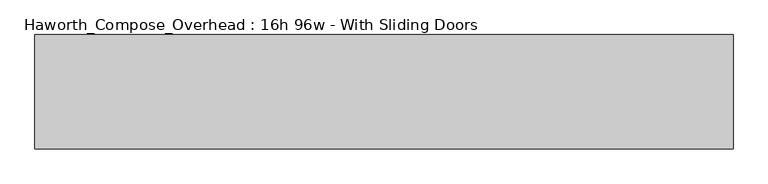
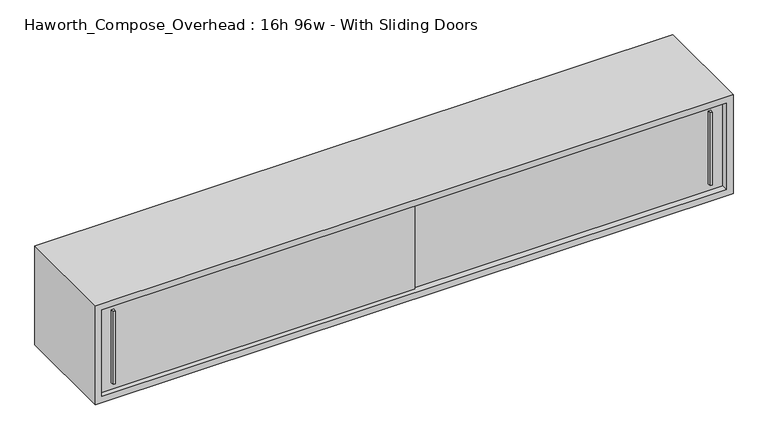
"""IFC4 building model written with IfcOpenShell, lengths in millimetres: furniture geometry, Haworth_Compose_Overhead : 16h 96w - With Sliding Doors."""

import ifcopenshell
import ifcopenshell.guid

model = None  # the IFC model being written
_history = None  # IfcOwnerHistory: only IFC2X3 demands one
_inside = {}  # id of a spatial element -> (the spatial element, [elements in it])
_under = {}  # id of a project, library or spatial element -> (it, [spatial elements below it])
_declared = {}  # id of a project -> (the project, [libraries it declares])
_typed = {}  # id of a type object -> (the type object, [elements of that type])
_made_of = {}  # id of a material, layer set ... -> (it, [elements and type objects made of it])


def new_model(schema):
    """Start an empty IFC model of exactly this schema.

    Asked for "IFC4X3", IfcOpenShell would pick the latest addendum, in which some entities
    have other attributes; the version numbers below select the first issue.
    IFC2X3 requires an IfcOwnerHistory on every rooted entity: one is made here for all.
    """
    global model, _history
    if schema == "IFC4X3":
        model = ifcopenshell.file(schema_version=(4, 3, 0, 0))
    else:
        model = ifcopenshell.file(schema=schema)
    _inside.clear()
    _under.clear()
    _declared.clear()
    _typed.clear()
    _made_of.clear()
    _history = None
    if model.schema == "IFC2X3":
        org = make("IfcOrganization", Name="unknown")
        user = make(
            "IfcPersonAndOrganization",
            ThePerson=make("IfcPerson", FamilyName="unknown"),
            TheOrganization=org,
        )
        app = make(
            "IfcApplication",
            ApplicationDeveloper=org,
            Version="unknown",
            ApplicationFullName="unknown",
            ApplicationIdentifier="unknown",
        )
        _history = make(
            "IfcOwnerHistory",
            OwningUser=user,
            OwningApplication=app,
            ChangeAction="ADDED",
            CreationDate=0,
        )
    return model


def make(cls, **values):
    """One entity of the class cls with the attributes given. An attribute that is None is left unset."""
    return model.create_entity(
        cls, **{name: value for name, value in values.items() if value is not None}
    )


def rooted(cls, **values):
    """An entity with a GlobalId (a new one), such as an element, a storey or a relation."""
    return make(cls, GlobalId=ifcopenshell.guid.new(), OwnerHistory=_history, **values)


def si_unit(unit_type, name, prefix=None):
    """IfcSIUnit, for example si_unit("LENGTHUNIT", "METRE", prefix="MILLI")."""
    return make("IfcSIUnit", UnitType=unit_type, Prefix=prefix, Name=name)


def assignment(units):
    """IfcUnitAssignment: the units of a project."""
    return None if units is None else make("IfcUnitAssignment", Units=units)


def point(xyz):
    """IfcCartesianPoint."""
    return None if xyz is None else make("IfcCartesianPoint", Coordinates=xyz)


def direction(xyz):
    """IfcDirection."""
    return None if xyz is None else make("IfcDirection", DirectionRatios=xyz)


def frame(location, z_axis=None, x_axis=None):
    """IfcAxis2Placement3D, a coordinate frame: its origin and axes. An axis left out is left unset."""
    return make(
        "IfcAxis2Placement3D",
        Location=point(location),
        Axis=direction(z_axis),
        RefDirection=direction(x_axis),
    )


def origin():
    """The frame at (0, 0, 0) with its axes left unset."""
    return frame((0.0, 0.0, 0.0))


def place(relative_to, where):
    """IfcLocalPlacement: puts the frame where relative to a parent placement (None: the world)."""
    return make(
        "IfcLocalPlacement", PlacementRelTo=relative_to, RelativePlacement=where
    )


def context(
    kind, dimensions, precision=None, world=None, true_north=None, identifier=None
):
    """IfcGeometricRepresentationContext, for example the 3D "Model" context."""
    return make(
        "IfcGeometricRepresentationContext",
        ContextIdentifier=identifier,
        ContextType=kind,
        CoordinateSpaceDimension=dimensions,
        Precision=precision,
        WorldCoordinateSystem=world,
        TrueNorth=true_north,
    )


def project(units=None, contexts=None):
    """IfcProject with its units and contexts."""
    return rooted(
        "IfcProject",
        Name="project",
        RepresentationContexts=contexts,
        UnitsInContext=assignment(units),
    )


def spatial(cls, under=None, at=None, **own):
    """A site, building, storey or space (cls), placed at a placement, below another one or the project."""
    s = rooted(cls, ObjectPlacement=at, **own)
    if under is not None:
        _under.setdefault(under.id(), (under, []))[1].append(s)
    return s


def polyline(points):
    """IfcPolyline through the points."""
    return make("IfcPolyline", Points=[point(p) for p in points])


def outline(outer, holes=None, kind="AREA"):
    """IfcArbitraryClosedProfileDef: a profile drawn as a closed curve; with holes, ...WithVoids."""
    if holes is None:
        return make("IfcArbitraryClosedProfileDef", ProfileType=kind, OuterCurve=outer)
    return make(
        "IfcArbitraryProfileDefWithVoids",
        ProfileType=kind,
        OuterCurve=outer,
        InnerCurves=holes,
    )


def extrude(swept, where, along, depth):
    """IfcExtrudedAreaSolid: the profile swept, set in the frame where, extruded along a direction by depth."""
    return make(
        "IfcExtrudedAreaSolid",
        SweptArea=swept,
        Position=where,
        ExtrudedDirection=direction(along),
        Depth=depth,
    )


def shape(context_of_items, identifier, shape_type, items):
    """IfcShapeRepresentation: the items that make up one representation, for example the "Body"."""
    return make(
        "IfcShapeRepresentation",
        ContextOfItems=context_of_items,
        RepresentationIdentifier=identifier,
        RepresentationType=shape_type,
        Items=items,
    )


def source(mapping_origin, context_of_items, identifier, shape_type, items):
    """IfcRepresentationMap: a shape defined once, which mapped items show again and again."""
    return make(
        "IfcRepresentationMap",
        MappingOrigin=mapping_origin,
        MappedRepresentation=shape(context_of_items, identifier, shape_type, items),
    )


def transform(
    local_origin,
    x_axis=None,
    y_axis=None,
    z_axis=None,
    scale=None,
    scale2=None,
    scale3=None,
    uniform=True,
):
    """IfcCartesianTransformationOperator3D, or its non-uniform kind. x_axis, y_axis, z_axis: its Axis1, 2, 3."""
    if uniform:
        return make(
            "IfcCartesianTransformationOperator3D",
            Axis1=direction(x_axis),
            Axis2=direction(y_axis),
            LocalOrigin=point(local_origin),
            Scale=scale,
            Axis3=direction(z_axis),
        )
    return make(
        "IfcCartesianTransformationOperator3DnonUniform",
        Axis1=direction(x_axis),
        Axis2=direction(y_axis),
        LocalOrigin=point(local_origin),
        Scale=scale,
        Axis3=direction(z_axis),
        Scale2=scale2,
        Scale3=scale3,
    )


def mapped(mapping_source, mapping_target):
    """IfcMappedItem: shows the shape of a source again, moved by a transform."""
    return make(
        "IfcMappedItem", MappingSource=mapping_source, MappingTarget=mapping_target
    )


def made_of(thing, what):
    """Note that an element or type object is made of a material, layer set ...; save() writes the relation."""
    if what is not None:
        _made_of.setdefault(what.id(), (what, []))[1].append(thing)
    return thing


def element(
    cls,
    number,
    at=None,
    inside=None,
    cuts=None,
    type_object=None,
    material=None,
    context=None,
    identifier="Body",
    shape_type=None,
    held_by="IfcProductDefinitionShape",
    body=None,
    shapes=None,
    **own,
):
    """One element of the class cls, such as IfcWall. Its Tag is "e" and its number.

    at: its placement. inside: the storey or other place that contains it. cuts: it is an
    opening in that element (IfcRelVoidsElement). A single representation is given by context,
    identifier, shape_type and body (its items); several are given by shapes. held_by: the class
    of the entity that holds the representations. save() writes the other relations.
    """
    e = rooted(cls, Tag="e%d" % number, ObjectPlacement=at, **own)
    if body is not None:
        shapes = [shape(context, identifier, shape_type, body)]
    if shapes is not None:
        e.Representation = make(held_by, Representations=shapes)
    if inside is not None:
        _inside.setdefault(inside.id(), (inside, []))[1].append(e)
    if cuts is not None:
        rooted(
            "IfcRelVoidsElement", RelatingBuildingElement=cuts, RelatedOpeningElement=e
        )
    if type_object is not None:
        _typed.setdefault(type_object.id(), (type_object, []))[1].append(e)
    return made_of(e, material)


def aggregate(whole, parts):
    """IfcRelAggregates: a whole, such as a stair, and the parts it consists of."""
    return rooted("IfcRelAggregates", RelatingObject=whole, RelatedObjects=parts)


def save(model, path):
    """Write the relations noted so far, then the file.

    IfcRelAggregates (storeys below a building ...), IfcRelContainedInSpatialStructure (elements
    in a storey), IfcRelDefinesByType, IfcRelAssociatesMaterial and IfcRelDeclares: one each for
    every whole, place, type object, material and project.
    """
    for whole, parts in _under.values():
        aggregate(whole, parts)
    for where, things in _inside.values():
        rooted(
            "IfcRelContainedInSpatialStructure",
            RelatedElements=things,
            RelatingStructure=where,
        )
    for kind, things in _typed.values():
        rooted("IfcRelDefinesByType", RelatedObjects=things, RelatingType=kind)
    for what, things in _made_of.values():
        rooted("IfcRelAssociatesMaterial", RelatedObjects=things, RelatingMaterial=what)
    for by, libraries in _declared.values():
        rooted("IfcRelDeclares", RelatingContext=by, RelatedDefinitions=libraries)
    model.write(path)


def haworth_compose_overhead_16h_96w_with_sliding_doors_df826c5d(model_context):
    return source(origin(), model_context, "Body", "SweptSolid", [
        extrude(outline(polyline([(1311.2750004, -387.3499879), (1304.9249996, -387.3499879), (1303.3375011, -374.65), (1312.8624989, -374.65), (1311.2750004, -387.3499879)])), frame((0.0, 0.0, 1322.3875), z_axis=(0.0, 0.0, 1.0), x_axis=(1.0, 0.0, 0.0)), (0.0, 0.0, 1.0), 295.275),
        extrude(outline(polyline([(-974.7249996, -393.6999879), (-981.0750004, -393.6999879), (-982.6624989, -381.0), (-973.1375011, -381.0), (-974.7249996, -393.6999879)])), frame((0.0, 0.0, 1322.3875), z_axis=(0.0, 0.0, 1.0), x_axis=(1.0, 0.0, 0.0)), (0.0, 0.0, 1.0), 295.275),
        extrude(outline(polyline([(-1028.7, -374.65), (177.8, -374.65), (177.8, -381.0), (-1028.7, -381.0), (-1028.7, -374.65)])), frame((0.0, 0.0, 1295.4), z_axis=(0.0, 0.0, 1.0), x_axis=(1.0, 0.0, 0.0)), (0.0, 0.0, 1.0), 349.25),
        extrude(outline(polyline([(152.4, -368.3), (1358.9, -368.3), (1358.9, -374.65), (152.4, -374.65), (152.4, -368.3)])), frame((0.0, 0.0, 1295.4), z_axis=(0.0, 0.0, 1.0), x_axis=(1.0, 0.0, 0.0)), (0.0, 0.0, 1.0), 349.25),
        extrude(outline(polyline([(1358.9, -6.35), (-1028.7, -6.35), (-1028.7, 0.0), (1358.9, 0.0), (1358.9, -6.35)])), frame((0.0, 0.0, 1295.4), z_axis=(0.0, 0.0, 1.0), x_axis=(1.0, 0.0, 0.0)), (0.0, 0.0, 1.0), 349.25),
        extrude(outline(polyline([(1270.0, 1384.3), (1670.05, 1384.3), (1670.05, -1054.1), (1270.0, -1054.1), (1270.0, 1384.3)]), holes=[polyline([(1644.65, 1358.9), (1295.4, 1358.9), (1295.4, -1028.7), (1644.65, -1028.7), (1644.65, 1358.9)])]), frame((0.0, -400.05, 0.0), z_axis=(0.0, 1.0, 0.0), x_axis=(0.0, 0.0, 1.0)), (0.0, 0.0, 1.0), 400.05),
    ])


if __name__ == "__main__":
    model = new_model("IFC4")
    model_context = context("Model", 3, world=origin())
    ifc_project = project(units=[si_unit("LENGTHUNIT", "METRE", prefix="MILLI")], contexts=[model_context])
    site = spatial("IfcSite", under=ifc_project)
    building = spatial("IfcBuilding", under=site)
    placement = place(None, origin())
    haworth_compose_overhead_16h_96w_with_sliding_doors_shape = haworth_compose_overhead_16h_96w_with_sliding_doors_df826c5d(model_context)
    element("IfcFurniture", 1, ObjectType="Haworth_Compose_Overhead : 16h 96w - With Sliding Doors", at=placement, inside=building, context=model_context, shape_type="MappedRepresentation", body=[
        mapped(haworth_compose_overhead_16h_96w_with_sliding_doors_shape, transform((0.0, 0.0, 0.0), x_axis=(1.0, 0.0, 0.0), y_axis=(0.0, 1.0, 0.0), z_axis=(0.0, 0.0, 1.0))),
    ])
    save(model, "model.ifc")
